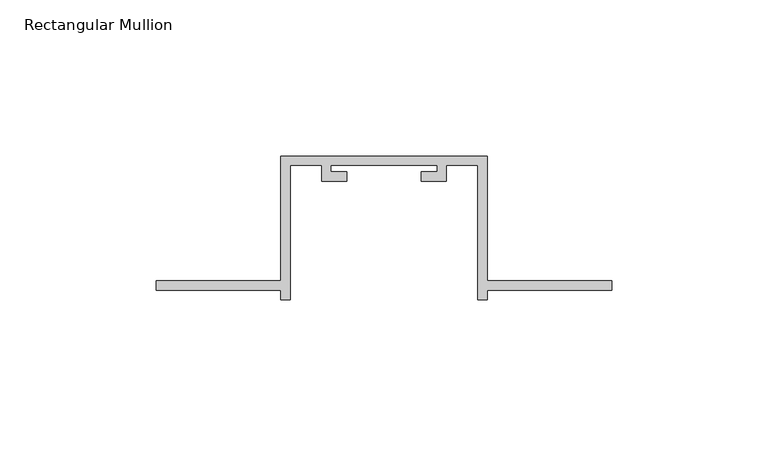
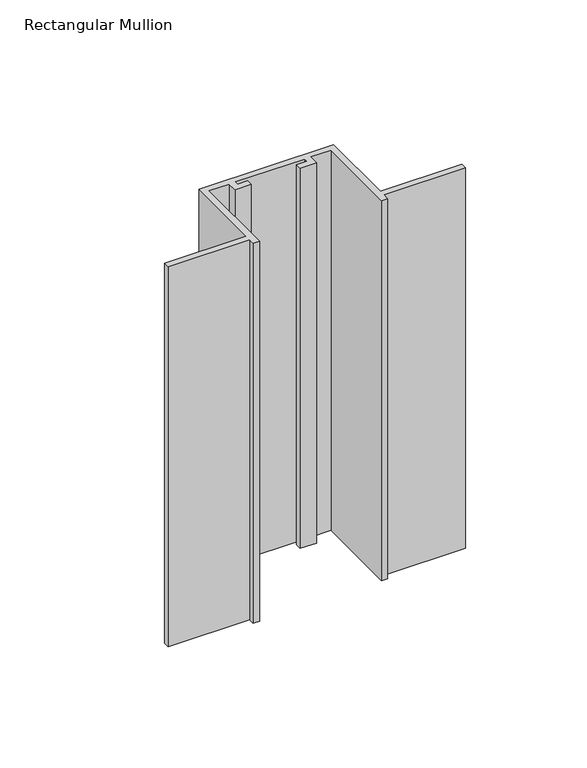
"""IFC4 building model written with IfcOpenShell, lengths in millimetres: member geometry, Rectangular Mullion."""

from ifc_helpers import new_model, si_unit, frame, origin, place, context, project, spatial, polyline, outline, extrude, source, transform, mapped, element, save


def rectangular_mullion_b93931f1(model_context):
    return source(origin(), model_context, "Body", "SweptSolid", [
        extrude(outline(polyline([(-40.0, -132.0), (-40.0, -135.0), (-43.0, -135.0), (-43.0, -92.0), (-53.0, -92.0), (-53.0, -97.0), (-61.0, -97.0), (-61.0, -94.0), (-56.0, -94.0), (-56.0, -92.0), (-90.0, -92.0), (-90.0, -94.0), (-85.0, -94.0), (-85.0, -97.0), (-93.0, -97.0), (-93.0, -92.0), (-103.0, -92.0), (-103.0, -135.0), (-106.0, -135.0), (-106.0, -132.0), (-146.0, -132.0), (-146.0, -129.0), (-106.0, -129.0), (-106.0, -89.0), (-40.0, -89.0), (-40.0, -129.0), (0.0, -129.0), (0.0, -132.0), (-40.0, -132.0)])), frame((0.0, 0.0, -197.1692572), z_axis=(0.0, 0.0, 1.0), x_axis=(1.0, 0.0, 0.0)), (0.0, 0.0, 1.0), 197.1692572),
    ])


if __name__ == "__main__":
    model = new_model("IFC4")
    model_context = context("Model", 3, world=origin())
    ifc_project = project(units=[si_unit("LENGTHUNIT", "METRE", prefix="MILLI")], contexts=[model_context])
    site = spatial("IfcSite", under=ifc_project)
    building = spatial("IfcBuilding", under=site)
    placement = place(None, origin())
    rectangular_mullion_shape = rectangular_mullion_b93931f1(model_context)
    element("IfcMember", 1, ObjectType="Rectangular Mullion", at=placement, inside=building, context=model_context, shape_type="MappedRepresentation", body=[
        mapped(rectangular_mullion_shape, transform((0.0, 0.0, 0.0), x_axis=(1.0, 0.0, 0.0), y_axis=(0.0, 1.0, 0.0), z_axis=(0.0, 0.0, 1.0))),
    ])
    save(model, "model.ifc")
